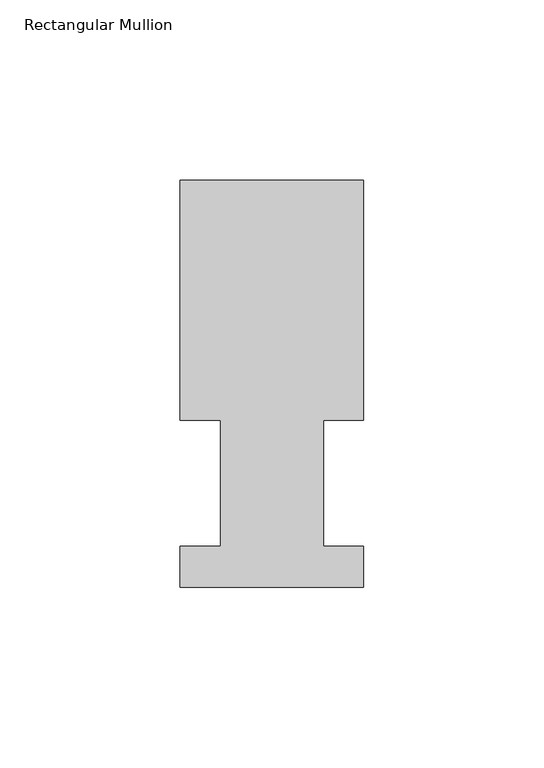
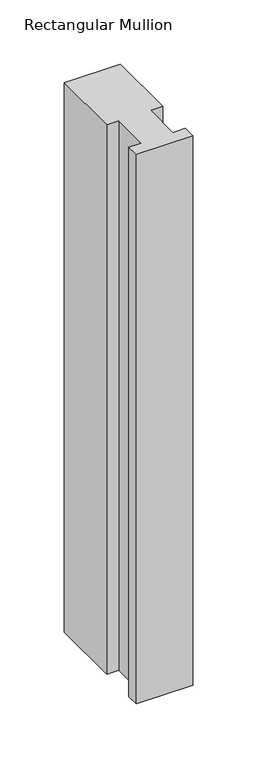
"""IFC4 building model written with IfcOpenShell, lengths in millimetres: member geometry, Rectangular Mullion."""

from ifc_helpers import new_model, si_unit, frame, origin, place, context, project, spatial, polyline, outline, extrude, source, transform, mapped, element, save


def rectangular_mullion_517e7479(model_context):
    return source(origin(), model_context, "Body", "SweptSolid", [
        extrude(outline(polyline([(-50.8, 0.739775), (-50.8, 12.144375), (-39.6875, 12.144375), (-39.6875, 47.069375), (-50.8, 47.069375), (-50.8, 113.464975), (0.0, 113.464975), (0.0, 47.069375), (-11.0998, 47.069375), (-11.0998, 12.144375), (0.0, 12.144375), (0.0, 0.739775), (-50.8, 0.739775)])), frame((0.0, 0.0, -523.875), z_axis=(0.0, 0.0, 1.0), x_axis=(1.0, 0.0, 0.0)), (0.0, 0.0, 1.0), 523.875),
    ])


if __name__ == "__main__":
    model = new_model("IFC4")
    model_context = context("Model", 3, world=origin())
    ifc_project = project(units=[si_unit("LENGTHUNIT", "METRE", prefix="MILLI")], contexts=[model_context])
    site = spatial("IfcSite", under=ifc_project)
    building = spatial("IfcBuilding", under=site)
    placement = place(None, origin())
    rectangular_mullion_shape = rectangular_mullion_517e7479(model_context)
    element("IfcMember", 1, ObjectType="Rectangular Mullion", at=placement, inside=building, context=model_context, shape_type="MappedRepresentation", body=[
        mapped(rectangular_mullion_shape, transform((0.0, 0.0, 0.0), x_axis=(1.0, 0.0, 0.0), y_axis=(0.0, 1.0, 0.0), z_axis=(0.0, 0.0, 1.0))),
    ])
    save(model, "model.ifc")
